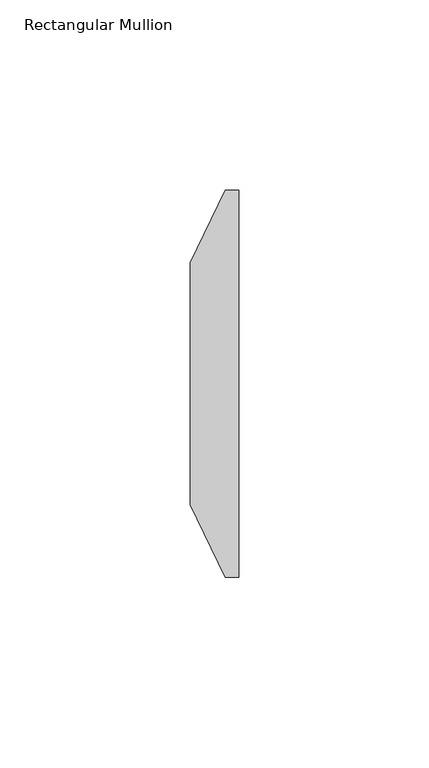
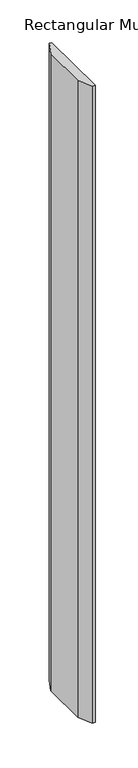
"""IFC4 building model written with IfcOpenShell, lengths in millimetres: member geometry, Rectangular Mullion."""

import ifcopenshell
import ifcopenshell.guid

model = None  # the IFC model being written
_history = None  # IfcOwnerHistory: only IFC2X3 demands one
_inside = {}  # id of a spatial element -> (the spatial element, [elements in it])
_under = {}  # id of a project, library or spatial element -> (it, [spatial elements below it])
_declared = {}  # id of a project -> (the project, [libraries it declares])
_typed = {}  # id of a type object -> (the type object, [elements of that type])
_made_of = {}  # id of a material, layer set ... -> (it, [elements and type objects made of it])


def new_model(schema):
    """Start an empty IFC model of exactly this schema.

    Asked for "IFC4X3", IfcOpenShell would pick the latest addendum, in which some entities
    have other attributes; the version numbers below select the first issue.
    IFC2X3 requires an IfcOwnerHistory on every rooted entity: one is made here for all.
    """
    global model, _history
    if schema == "IFC4X3":
        model = ifcopenshell.file(schema_version=(4, 3, 0, 0))
    else:
        model = ifcopenshell.file(schema=schema)
    _inside.clear()
    _under.clear()
    _declared.clear()
    _typed.clear()
    _made_of.clear()
    _history = None
    if model.schema == "IFC2X3":
        org = make("IfcOrganization", Name="unknown")
        user = make(
            "IfcPersonAndOrganization",
            ThePerson=make("IfcPerson", FamilyName="unknown"),
            TheOrganization=org,
        )
        app = make(
            "IfcApplication",
            ApplicationDeveloper=org,
            Version="unknown",
            ApplicationFullName="unknown",
            ApplicationIdentifier="unknown",
        )
        _history = make(
            "IfcOwnerHistory",
            OwningUser=user,
            OwningApplication=app,
            ChangeAction="ADDED",
            CreationDate=0,
        )
    return model


def make(cls, **values):
    """One entity of the class cls with the attributes given. An attribute that is None is left unset."""
    return model.create_entity(
        cls, **{name: value for name, value in values.items() if value is not None}
    )


def rooted(cls, **values):
    """An entity with a GlobalId (a new one), such as an element, a storey or a relation."""
    return make(cls, GlobalId=ifcopenshell.guid.new(), OwnerHistory=_history, **values)


def si_unit(unit_type, name, prefix=None):
    """IfcSIUnit, for example si_unit("LENGTHUNIT", "METRE", prefix="MILLI")."""
    return make("IfcSIUnit", UnitType=unit_type, Prefix=prefix, Name=name)


def assignment(units):
    """IfcUnitAssignment: the units of a project."""
    return None if units is None else make("IfcUnitAssignment", Units=units)


def point(xyz):
    """IfcCartesianPoint."""
    return None if xyz is None else make("IfcCartesianPoint", Coordinates=xyz)


def direction(xyz):
    """IfcDirection."""
    return None if xyz is None else make("IfcDirection", DirectionRatios=xyz)


def frame(location, z_axis=None, x_axis=None):
    """IfcAxis2Placement3D, a coordinate frame: its origin and axes. An axis left out is left unset."""
    return make(
        "IfcAxis2Placement3D",
        Location=point(location),
        Axis=direction(z_axis),
        RefDirection=direction(x_axis),
    )


def origin():
    """The frame at (0, 0, 0) with its axes left unset."""
    return frame((0.0, 0.0, 0.0))


def place(relative_to, where):
    """IfcLocalPlacement: puts the frame where relative to a parent placement (None: the world)."""
    return make(
        "IfcLocalPlacement", PlacementRelTo=relative_to, RelativePlacement=where
    )


def context(
    kind, dimensions, precision=None, world=None, true_north=None, identifier=None
):
    """IfcGeometricRepresentationContext, for example the 3D "Model" context."""
    return make(
        "IfcGeometricRepresentationContext",
        ContextIdentifier=identifier,
        ContextType=kind,
        CoordinateSpaceDimension=dimensions,
        Precision=precision,
        WorldCoordinateSystem=world,
        TrueNorth=true_north,
    )


def project(units=None, contexts=None):
    """IfcProject with its units and contexts."""
    return rooted(
        "IfcProject",
        Name="project",
        RepresentationContexts=contexts,
        UnitsInContext=assignment(units),
    )


def spatial(cls, under=None, at=None, **own):
    """A site, building, storey or space (cls), placed at a placement, below another one or the project."""
    s = rooted(cls, ObjectPlacement=at, **own)
    if under is not None:
        _under.setdefault(under.id(), (under, []))[1].append(s)
    return s


def polyline(points):
    """IfcPolyline through the points."""
    return make("IfcPolyline", Points=[point(p) for p in points])


def outline(outer, holes=None, kind="AREA"):
    """IfcArbitraryClosedProfileDef: a profile drawn as a closed curve; with holes, ...WithVoids."""
    if holes is None:
        return make("IfcArbitraryClosedProfileDef", ProfileType=kind, OuterCurve=outer)
    return make(
        "IfcArbitraryProfileDefWithVoids",
        ProfileType=kind,
        OuterCurve=outer,
        InnerCurves=holes,
    )


def extrude(swept, where, along, depth):
    """IfcExtrudedAreaSolid: the profile swept, set in the frame where, extruded along a direction by depth."""
    return make(
        "IfcExtrudedAreaSolid",
        SweptArea=swept,
        Position=where,
        ExtrudedDirection=direction(along),
        Depth=depth,
    )


def shape(context_of_items, identifier, shape_type, items):
    """IfcShapeRepresentation: the items that make up one representation, for example the "Body"."""
    return make(
        "IfcShapeRepresentation",
        ContextOfItems=context_of_items,
        RepresentationIdentifier=identifier,
        RepresentationType=shape_type,
        Items=items,
    )


def source(mapping_origin, context_of_items, identifier, shape_type, items):
    """IfcRepresentationMap: a shape defined once, which mapped items show again and again."""
    return make(
        "IfcRepresentationMap",
        MappingOrigin=mapping_origin,
        MappedRepresentation=shape(context_of_items, identifier, shape_type, items),
    )


def transform(
    local_origin,
    x_axis=None,
    y_axis=None,
    z_axis=None,
    scale=None,
    scale2=None,
    scale3=None,
    uniform=True,
):
    """IfcCartesianTransformationOperator3D, or its non-uniform kind. x_axis, y_axis, z_axis: its Axis1, 2, 3."""
    if uniform:
        return make(
            "IfcCartesianTransformationOperator3D",
            Axis1=direction(x_axis),
            Axis2=direction(y_axis),
            LocalOrigin=point(local_origin),
            Scale=scale,
            Axis3=direction(z_axis),
        )
    return make(
        "IfcCartesianTransformationOperator3DnonUniform",
        Axis1=direction(x_axis),
        Axis2=direction(y_axis),
        LocalOrigin=point(local_origin),
        Scale=scale,
        Axis3=direction(z_axis),
        Scale2=scale2,
        Scale3=scale3,
    )


def mapped(mapping_source, mapping_target):
    """IfcMappedItem: shows the shape of a source again, moved by a transform."""
    return make(
        "IfcMappedItem", MappingSource=mapping_source, MappingTarget=mapping_target
    )


def made_of(thing, what):
    """Note that an element or type object is made of a material, layer set ...; save() writes the relation."""
    if what is not None:
        _made_of.setdefault(what.id(), (what, []))[1].append(thing)
    return thing


def element(
    cls,
    number,
    at=None,
    inside=None,
    cuts=None,
    type_object=None,
    material=None,
    context=None,
    identifier="Body",
    shape_type=None,
    held_by="IfcProductDefinitionShape",
    body=None,
    shapes=None,
    **own,
):
    """One element of the class cls, such as IfcWall. Its Tag is "e" and its number.

    at: its placement. inside: the storey or other place that contains it. cuts: it is an
    opening in that element (IfcRelVoidsElement). A single representation is given by context,
    identifier, shape_type and body (its items); several are given by shapes. held_by: the class
    of the entity that holds the representations. save() writes the other relations.
    """
    e = rooted(cls, Tag="e%d" % number, ObjectPlacement=at, **own)
    if body is not None:
        shapes = [shape(context, identifier, shape_type, body)]
    if shapes is not None:
        e.Representation = make(held_by, Representations=shapes)
    if inside is not None:
        _inside.setdefault(inside.id(), (inside, []))[1].append(e)
    if cuts is not None:
        rooted(
            "IfcRelVoidsElement", RelatingBuildingElement=cuts, RelatedOpeningElement=e
        )
    if type_object is not None:
        _typed.setdefault(type_object.id(), (type_object, []))[1].append(e)
    return made_of(e, material)


def aggregate(whole, parts):
    """IfcRelAggregates: a whole, such as a stair, and the parts it consists of."""
    return rooted("IfcRelAggregates", RelatingObject=whole, RelatedObjects=parts)


def save(model, path):
    """Write the relations noted so far, then the file.

    IfcRelAggregates (storeys below a building ...), IfcRelContainedInSpatialStructure (elements
    in a storey), IfcRelDefinesByType, IfcRelAssociatesMaterial and IfcRelDeclares: one each for
    every whole, place, type object, material and project.
    """
    for whole, parts in _under.values():
        aggregate(whole, parts)
    for where, things in _inside.values():
        rooted(
            "IfcRelContainedInSpatialStructure",
            RelatedElements=things,
            RelatingStructure=where,
        )
    for kind, things in _typed.values():
        rooted("IfcRelDefinesByType", RelatedObjects=things, RelatingType=kind)
    for what, things in _made_of.values():
        rooted("IfcRelAssociatesMaterial", RelatedObjects=things, RelatingMaterial=what)
    for by, libraries in _declared.values():
        rooted("IfcRelDeclares", RelatingContext=by, RelatedDefinitions=libraries)
    model.write(path)


def rectangular_mullion_d68fd697(model_context):
    return source(origin(), model_context, "Body", "SweptSolid", [
        extrude(outline(polyline([(0.0, -12.7), (0.0, -114.3), (-3.4963666, -114.3), (-12.7, -95.2754762), (-12.7, -31.7245216), (-3.4963578, -12.7), (0.0, -12.7)])), frame((0.0, 0.0, -914.4), z_axis=(0.0, 0.0, 1.0), x_axis=(1.0, 0.0, 0.0)), (0.0, 0.0, 1.0), 914.4),
    ])


if __name__ == "__main__":
    model = new_model("IFC4")
    model_context = context("Model", 3, world=origin())
    ifc_project = project(units=[si_unit("LENGTHUNIT", "METRE", prefix="MILLI")], contexts=[model_context])
    site = spatial("IfcSite", under=ifc_project)
    building = spatial("IfcBuilding", under=site)
    placement = place(None, origin())
    rectangular_mullion_shape = rectangular_mullion_d68fd697(model_context)
    element("IfcMember", 1, ObjectType="Rectangular Mullion", at=placement, inside=building, context=model_context, shape_type="MappedRepresentation", body=[
        mapped(rectangular_mullion_shape, transform((0.0, 0.0, 0.0), x_axis=(1.0, 0.0, 0.0), y_axis=(0.0, 1.0, 0.0), z_axis=(0.0, 0.0, 1.0))),
    ])
    save(model, "model.ifc")
